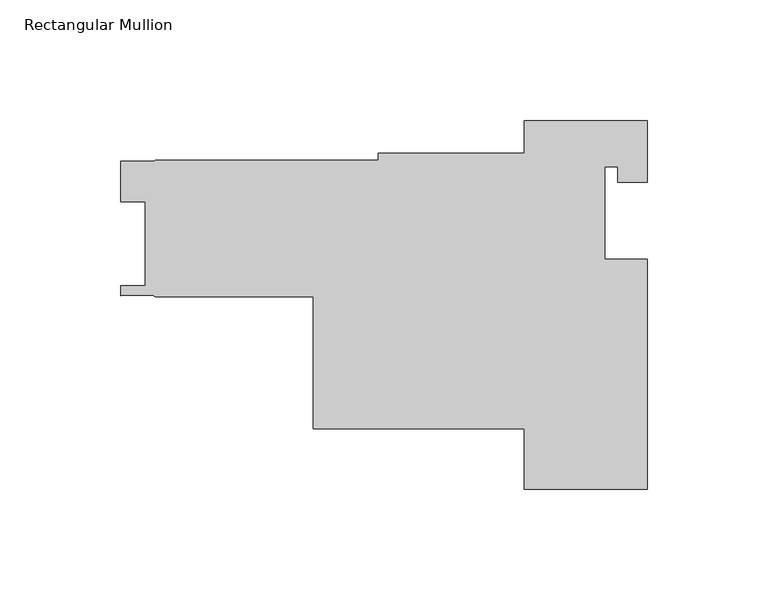
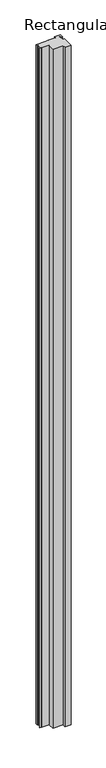
"""IFC4 building model written with IfcOpenShell, lengths in millimetres: member geometry, Rectangular Mullion."""

from ifc_helpers import new_model, si_unit, frame, origin, place, context, project, spatial, polyline, outline, extrude, source, transform, mapped, element, save


def rectangular_mullion_6f9b5d94(model_context):
    return source(origin(), model_context, "Body", "SweptSolid", [
        extrude(outline(polyline([(25.4, 0.0), (25.4, -25.4), (13.208, -25.4), (13.208, -19.05), (7.95, -19.05), (7.95, -57.15), (25.4, -57.15), (25.4, -152.4), (-25.4, -152.4), (-25.4, -127.3556), (-112.6998, -127.3556), (-112.6998, -72.7230024), (-177.9701941, -72.7230024), (-179.0736672, -72.2036923), (-192.2576941, -72.2594524), (-192.2576941, -68.2907024), (-182.2119941, -68.2907024), (-182.2119941, -33.3530021), (-192.2449939, -33.3530021), (-192.2449939, -16.6906023), (-178.7620876, -16.6906023), (-177.9701941, -16.2334024), (-85.725, -16.2334024), (-85.725, -13.3096), (-25.4, -13.3096), (-25.4, 0.0), (25.4, 0.0)])), frame((0.0, 0.0, -6045.2), z_axis=(0.0, 0.0, 1.0), x_axis=(1.0, 0.0, 0.0)), (0.0, 0.0, 1.0), 6045.2),
    ])


if __name__ == "__main__":
    model = new_model("IFC4")
    model_context = context("Model", 3, world=origin())
    ifc_project = project(units=[si_unit("LENGTHUNIT", "METRE", prefix="MILLI")], contexts=[model_context])
    site = spatial("IfcSite", under=ifc_project)
    building = spatial("IfcBuilding", under=site)
    placement = place(None, origin())
    rectangular_mullion_shape = rectangular_mullion_6f9b5d94(model_context)
    element("IfcMember", 1, ObjectType="Rectangular Mullion", at=placement, inside=building, context=model_context, shape_type="MappedRepresentation", body=[
        mapped(rectangular_mullion_shape, transform((0.0, 0.0, 0.0), x_axis=(1.0, 0.0, 0.0), y_axis=(0.0, 1.0, 0.0), z_axis=(0.0, 0.0, 1.0))),
    ])
    save(model, "model.ifc")
